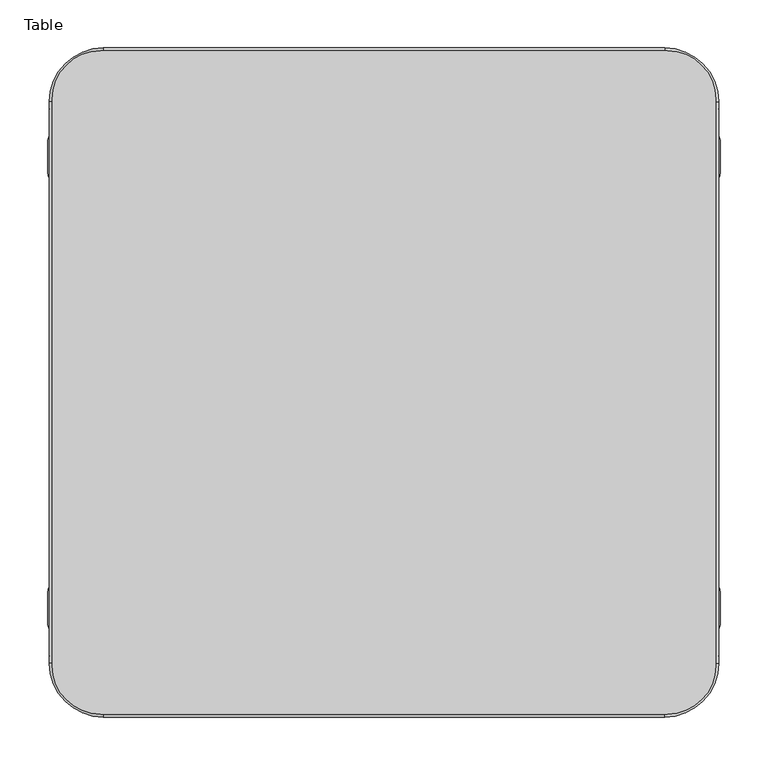
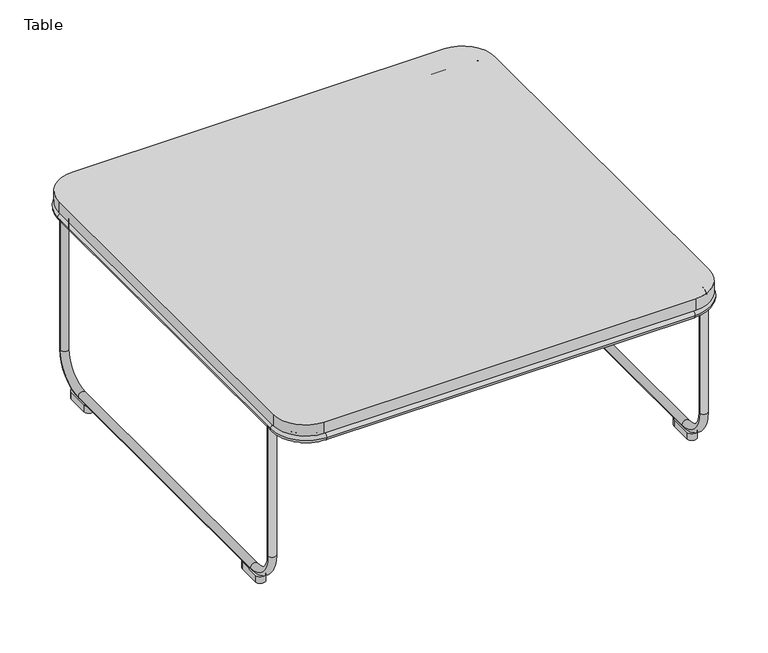
"""IFC4 building model written with IfcOpenShell, lengths in millimetres: furniture geometry, Table."""

from ifc_helpers import new_model, si_unit, point, frame, frame_2d, origin, origin_with_axes, place, context, project, spatial, polyline, circle_curve, ellipse_curve, trimmed, segment, composite_curve, outline, extrude, source, transform, mapped, element, save
from ifc_brep_helpers import plane_surface, cylinder_surface, revolved_surface, advanced_brep


def table_859b9121(model_context):
    return source(origin(), model_context, "Body", "SolidModel", [
        extrude(outline(polyline([(-2480.2991437, 2576.6010736), (-2480.2991437, 2614.6795997), (-1796.3340738, 2614.6795997), (-1796.3340738, 2576.6010736), (-2480.2991437, 2576.6010736)])), frame((0.0, 0.0, 283.1300109), z_axis=(0.0, 0.0, 1.0), x_axis=(1.0, 0.0, 0.0)), (0.0, 0.0, 1.0), 3.3459985),
        extrude(outline(polyline([(-2480.2991437, 3097.0802689), (-2480.2991437, 3135.1587949), (-1796.3340738, 3135.1587949), (-1796.3340738, 3097.0802689), (-2480.2991437, 3097.0802689)])), frame((0.0, 0.0, 283.1300109), z_axis=(0.0, 0.0, 1.0), x_axis=(1.0, 0.0, 0.0)), (0.0, 0.0, 1.0), 3.3459985),
        extrude(outline(composite_curve([segment(trimmed(circle_curve(frame_2d((-2481.2756523, 3108.8431167)), 7.8798642), [point((-2489.1555163, 3108.8448648))], [point((-2473.3957883, 3108.8448442))], False, "CARTESIAN"), True, "CONTINUOUS"), segment(polyline([(-2473.3957883, 3108.8448442), (-2473.3881823, 3074.1515307)]), True, "CONTINUOUS"), segment(trimmed(circle_curve(frame_2d((-2481.2756976, 3074.1498015)), 7.8875154), [point((-2473.3881823, 3074.1515307))], [point((-2489.1632128, 3074.1515513))], False, "CARTESIAN"), True, "CONTINUOUS"), segment(polyline([(-2489.1632128, 3074.1515513), (-2489.1555163, 3108.8448648)]), True, "CONTINUOUS")], self_intersect=False)), origin_with_axes(), (0.0, 0.0, 1.0), 11.1144914),
        extrude(outline(composite_curve([segment(trimmed(circle_curve(frame_2d((-2481.275989, 2637.673918)), 7.8875176), [point((-2489.1635064, 2637.6721682))], [point((-2473.3884715, 2637.6721682))], False, "CARTESIAN"), True, "CONTINUOUS"), segment(polyline([(-2473.3884715, 2637.6721682), (-2473.3961835, 2602.9090373)]), True, "CONTINUOUS"), segment(trimmed(circle_curve(frame_2d((-2481.275989, 2602.9107854)), 7.8798056), [point((-2473.3961835, 2602.9090373))], [point((-2489.1557944, 2602.9090373))], False, "CARTESIAN"), True, "CONTINUOUS"), segment(polyline([(-2489.1557944, 2602.9090373), (-2489.1635064, 2637.6721682)]), True, "CONTINUOUS")], self_intersect=False)), origin_with_axes(), (0.0, 0.0, 1.0), 11.1144914),
        extrude(outline(composite_curve([segment(polyline([(-1792.044095, 3151.34129), (-1792.044095, 2560.4393906)]), True, "CONTINUOUS"), segment(trimmed(circle_curve(frame_2d((-1842.844095, 2560.4393906)), 50.8), [point((-1792.044095, 2560.4393906))], [point((-1842.844095, 2509.6393906))], False, "CARTESIAN"), True, "CONTINUOUS"), segment(polyline([(-1842.844095, 2509.6393906), (-2433.7891225, 2509.6393906)]), True, "CONTINUOUS"), segment(trimmed(circle_curve(frame_2d((-2433.7891225, 2560.4393906)), 50.8), [point((-2433.7891225, 2509.6393906))], [point((-2484.5891225, 2560.4393906))], False, "CARTESIAN"), True, "CONTINUOUS"), segment(polyline([(-2484.5891225, 2560.4393906), (-2484.5891225, 3151.34129)]), True, "CONTINUOUS"), segment(trimmed(circle_curve(frame_2d((-2433.7891225, 3151.34129)), 50.8), [point((-2484.5891225, 3151.34129))], [point((-2433.7891225, 3202.14129))], False, "CARTESIAN"), True, "CONTINUOUS"), segment(polyline([(-2433.7891225, 3202.14129), (-1842.844095, 3202.14129)]), True, "CONTINUOUS"), segment(trimmed(circle_curve(frame_2d((-1842.844095, 3151.34129)), 50.8), [point((-1842.844095, 3202.14129))], [point((-1792.044095, 3151.34129))], False, "CARTESIAN"), True, "CONTINUOUS")], self_intersect=False)), frame((0.0, 0.0, 286.4380212), z_axis=(0.0, 0.0, 1.0), x_axis=(1.0, 0.0, 0.0)), (0.0, 0.0, 1.0), 18.8849846),
        advanced_brep(
        [(-2474.9420369, 3141.5898732, 280.1080775), (-2487.6097957, 3141.5898732, 280.1080775), (-2487.6097957, 3141.5463851, 61.8491387), (-2474.9420369, 3141.5463851, 61.8491387), (-2474.9420369, 3093.0162586, 13.3286809), (-2487.6097957, 3093.0162586, 13.3286809), (-2487.6097957, 2618.7355111, 13.3286809), (-2474.9420369, 2618.7355111, 13.3286809), (-2474.9420369, 2570.234922, 61.82927), (-2487.6097957, 2570.234922, 61.82927), (-2474.9420369, 2570.234922, 280.1068155), (-2487.6097957, 2570.234922, 280.1068155)],
        [
            (0, 1, circle_curve(frame((-2481.2759163, 3141.5898732, 280.1080775), z_axis=(0.0, 0.00019924995065655156, 0.9999999801497284), x_axis=(-1.0, 0.0, 0.0)), 6.3338794)),
            (1, 0, circle_curve(frame((-2481.2759163, 3141.5898732, 280.1080775), z_axis=(0.0, 0.00019924995065655156, 0.9999999801497284), x_axis=(-1.0, 0.0, 0.0)), 6.3338794)),
            (1, 2),
            (2, 3, circle_curve(frame((-2481.2759163, 3141.5463851, 61.8491387), z_axis=(0.0, 0.00019924995065655156, 0.9999999801497284), x_axis=(-1.0, 0.0, 0.0)), 6.3338794)),
            (3, 0),
            (3, 2, circle_curve(frame((-2481.2759163, 3141.5463851, 61.8491387), z_axis=(0.0, 0.00019924995065655156, 0.9999999801497284), x_axis=(-1.0, 0.0, 0.0)), 6.3338794)),
            (4, 3, circle_curve(frame((-2474.9420369, 3093.0162586, 61.8588083), z_axis=(1.0, 0.0, 0.0), x_axis=(0.0, 0.9999999801497284, -0.00019924995065750433)), 48.5301274)),
            (2, 5, circle_curve(frame((-2487.6097957, 3093.0162586, 61.8588083), z_axis=(-1.0, 0.0, 0.0), x_axis=(0.0, 0.9999999801497284, -0.00019924995065750433)), 48.5301274)),
            (5, 4, circle_curve(frame((-2481.2759163, 3093.0162586, 13.3286809), z_axis=(0.0, 1.0, 0.0), x_axis=(-1.0, 0.0, 0.0)), 6.3338794)),
            (4, 5, circle_curve(frame((-2481.2759163, 3093.0162586, 13.3286809), z_axis=(0.0, 1.0, 0.0), x_axis=(-1.0, 0.0, 0.0)), 6.3338794)),
            (5, 6),
            (6, 7, circle_curve(frame((-2481.2759163, 2618.7355111, 13.3286809), z_axis=(0.0, 1.0, 0.0), x_axis=(-1.0, 0.0, 0.0)), 6.3338794)),
            (7, 4),
            (7, 6, circle_curve(frame((-2481.2759163, 2618.7355111, 13.3286809), z_axis=(0.0, 1.0, 0.0), x_axis=(-1.0, 0.0, 0.0)), 6.3338794)),
            (8, 7, circle_curve(frame((-2474.9420369, 2618.7355111, 61.82927), z_axis=(1.0, 0.0, 0.0), x_axis=(0.0, 0.0, -1.0)), 48.5005892)),
            (6, 9, circle_curve(frame((-2487.6097957, 2618.7355111, 61.82927), z_axis=(-1.0, 0.0, 0.0), x_axis=(0.0, 0.0, -1.0)), 48.5005892)),
            (9, 8, circle_curve(frame((-2481.2759163, 2570.234922, 61.82927), z_axis=(0.0, 0.0, -1.0), x_axis=(-1.0, 0.0, 0.0)), 6.3338794)),
            (8, 9, circle_curve(frame((-2481.2759163, 2570.234922, 61.82927), z_axis=(0.0, 0.0, -1.0), x_axis=(-1.0, 0.0, 0.0)), 6.3338794)),
            (10, 11, circle_curve(frame((-2481.2759163, 2570.234922, 280.1068155), z_axis=(0.0, 0.0, 1.0), x_axis=(-1.0, 0.0, 0.0)), 6.3338794)),
            (11, 10, circle_curve(frame((-2481.2759163, 2570.234922, 280.1068155), z_axis=(0.0, 0.0, 1.0), x_axis=(-1.0, 0.0, 0.0)), 6.3338794)),
            (9, 11),
            (10, 8),
        ],
        [
            plane_surface(frame((-2487.5666087, 3147.9237456, 280.1068155), z_axis=(0.0, 0.00019924995065655156, 0.9999999801497284), x_axis=(-1.0, 0.0, 0.0))),
            cylinder_surface(frame((-2481.2759163, 3141.5898732, 280.1080775), z_axis=(0.0, 0.00019924995065655156, 0.9999999801497284), x_axis=(-1.0, 0.0, 0.0)), 6.3338794),
            revolved_surface(trimmed(ellipse_curve(frame((-2481.2759163, 3141.5463851, 61.8491387), z_axis=(0.0, 0.00019924995065750427, 0.9999999801497284), x_axis=(-1.0, 0.0, 0.0)), 6.3338794, 6.3338794), [point((-2487.6097957, 3141.5463851, 61.8491387))], [point((-2474.9420369, 3141.5463851, 61.8491387))], True, "CARTESIAN"), (-2487.5666087, 3093.0162586, 61.8588083), (-1.0, 0.0, 0.0)),
            revolved_surface(trimmed(ellipse_curve(frame((-2481.2759163, 3141.5463851, 61.8491387), z_axis=(0.0, 0.00019924995065750427, 0.9999999801497284), x_axis=(-1.0, 0.0, 0.0)), 6.3338794, 6.3338794), [point((-2474.9420369, 3141.5463851, 61.8491387))], [point((-2487.6097957, 3141.5463851, 61.8491387))], True, "CARTESIAN"), (-2487.5666087, 3093.0162586, 61.8588083), (-1.0, 0.0, 0.0)),
            cylinder_surface(frame((-2481.2759163, 3093.0162586, 13.3286809), z_axis=(0.0, 1.0, 0.0), x_axis=(-1.0, 0.0, 0.0)), 6.3338794),
            revolved_surface(trimmed(ellipse_curve(frame((-2481.2759163, 2618.7355111, 13.3286809), z_axis=(0.0, 1.0, 0.0), x_axis=(-1.0, 0.0, 0.0)), 6.3338794, 6.3338794), [point((-2487.6097957, 2618.7355111, 13.3286809))], [point((-2474.9420369, 2618.7355111, 13.3286809))], True, "CARTESIAN"), (-2487.5666087, 2618.7355111, 61.82927), (-1.0, 0.0, 0.0)),
            revolved_surface(trimmed(ellipse_curve(frame((-2481.2759163, 2618.7355111, 13.3286809), z_axis=(0.0, 1.0, 0.0), x_axis=(-1.0, 0.0, 0.0)), 6.3338794, 6.3338794), [point((-2474.9420369, 2618.7355111, 13.3286809))], [point((-2487.6097957, 2618.7355111, 13.3286809))], True, "CARTESIAN"), (-2487.5666087, 2618.7355111, 61.82927), (-1.0, 0.0, 0.0)),
            plane_surface(frame((-2487.5666087, 2563.9010494, 280.1068155), z_axis=(0.0, 0.0, 1.0), x_axis=(-1.0, 0.0, 0.0))),
            cylinder_surface(frame((-2481.2759163, 2570.234922, 61.82927), z_axis=(0.0, 0.0, -1.0), x_axis=(-1.0, 0.0, 0.0)), 6.3338794),
        ],
        [
            (0, [[1, 2]]),
            (1, [[-2, 3, 4, 5]]),
            (1, [[-1, -5, 6, -3]]),
            (2, [[7, -4, 8, 9]]),
            (3, [[-8, -6, -7, 10]]),
            (4, [[-9, 11, 12, 13]]),
            (4, [[-10, -13, 14, -11]]),
            (5, [[15, -12, 16, 17]]),
            (6, [[-16, -14, -15, 18]]),
            (7, [[19, 20]]),
            (8, [[-17, 21, -19, 22]]),
            (8, [[-18, -22, -20, -21]]),
        ],
    ),
        advanced_brep(
        [(-1801.6911806, 3141.5898732, 280.1080775), (-1789.0234218, 3141.5898732, 280.1080775), (-1801.6911806, 3141.5463851, 61.8491387), (-1789.0234218, 3141.5463851, 61.8491387), (-1789.0234218, 3093.0162586, 13.3286809), (-1801.6911806, 3093.0162586, 13.3286809), (-1801.6911806, 2618.7355111, 13.3286809), (-1789.0234218, 2618.7355111, 13.3286809), (-1789.0234218, 2570.234922, 61.82927), (-1801.6911806, 2570.234922, 61.82927), (-1801.6911806, 2570.234922, 280.1068155), (-1789.0234218, 2570.234922, 280.1068155)],
        [
            (0, 1, circle_curve(frame((-1795.3573012, 3141.5898732, 280.1080775), z_axis=(0.0, 0.00019924995065655156, 0.9999999801497284), x_axis=(1.0, 0.0, 0.0)), 6.3338794)),
            (1, 0, circle_curve(frame((-1795.3573012, 3141.5898732, 280.1080775), z_axis=(0.0, 0.00019924995065655156, 0.9999999801497284), x_axis=(1.0, 0.0, 0.0)), 6.3338794)),
            (0, 2),
            (2, 3, circle_curve(frame((-1795.3573012, 3141.5463851, 61.8491387), z_axis=(0.0, 0.00019924995065655156, 0.9999999801497284), x_axis=(1.0, 0.0, 0.0)), 6.3338794)),
            (3, 1),
            (3, 2, circle_curve(frame((-1795.3573012, 3141.5463851, 61.8491387), z_axis=(0.0, 0.00019924995065655156, 0.9999999801497284), x_axis=(1.0, 0.0, 0.0)), 6.3338794)),
            (4, 3, circle_curve(frame((-1789.0234218, 3093.0162586, 61.8588083), z_axis=(1.0, 0.0, 0.0), x_axis=(0.0, 0.9999999801497284, -0.00019924995065750433)), 48.5301274)),
            (2, 5, circle_curve(frame((-1801.6911806, 3093.0162586, 61.8588083), z_axis=(-1.0, 0.0, 0.0), x_axis=(0.0, 0.9999999801497284, -0.00019924995065750433)), 48.5301274)),
            (5, 4, circle_curve(frame((-1795.3573012, 3093.0162586, 13.3286809), z_axis=(0.0, 1.0, 0.0), x_axis=(1.0, 0.0, 0.0)), 6.3338794)),
            (4, 5, circle_curve(frame((-1795.3573012, 3093.0162586, 13.3286809), z_axis=(0.0, 1.0, 0.0), x_axis=(1.0, 0.0, 0.0)), 6.3338794)),
            (5, 6),
            (6, 7, circle_curve(frame((-1795.3573012, 2618.7355111, 13.3286809), z_axis=(0.0, 1.0, 0.0), x_axis=(1.0, 0.0, 0.0)), 6.3338794)),
            (7, 4),
            (7, 6, circle_curve(frame((-1795.3573012, 2618.7355111, 13.3286809), z_axis=(0.0, 1.0, 0.0), x_axis=(1.0, 0.0, 0.0)), 6.3338794)),
            (8, 7, circle_curve(frame((-1789.0234218, 2618.7355111, 61.82927), z_axis=(1.0, 0.0, 0.0), x_axis=(0.0, 0.0, -1.0)), 48.5005892)),
            (6, 9, circle_curve(frame((-1801.6911806, 2618.7355111, 61.82927), z_axis=(-1.0, 0.0, 0.0), x_axis=(0.0, 0.0, -1.0)), 48.5005892)),
            (9, 8, circle_curve(frame((-1795.3573012, 2570.234922, 61.82927), z_axis=(0.0, 0.0, -1.0), x_axis=(1.0, 0.0, 0.0)), 6.3338794)),
            (8, 9, circle_curve(frame((-1795.3573012, 2570.234922, 61.82927), z_axis=(0.0, 0.0, -1.0), x_axis=(1.0, 0.0, 0.0)), 6.3338794)),
            (10, 11, circle_curve(frame((-1795.3573012, 2570.234922, 280.1068155), z_axis=(0.0, 0.0, 1.0), x_axis=(1.0, 0.0, 0.0)), 6.3338794)),
            (11, 10, circle_curve(frame((-1795.3573012, 2570.234922, 280.1068155), z_axis=(0.0, 0.0, 1.0), x_axis=(1.0, 0.0, 0.0)), 6.3338794)),
            (9, 10),
            (11, 8),
        ],
        [
            plane_surface(frame((-1789.0666087, 3147.9237456, 280.1068155), z_axis=(0.0, 0.00019924995065655156, 0.9999999801497284), x_axis=(1.0, 0.0, 0.0))),
            cylinder_surface(frame((-1795.3573012, 3141.5898732, 280.1080775), z_axis=(0.0, 0.00019924995065655156, 0.9999999801497284), x_axis=(1.0, 0.0, 0.0)), 6.3338794),
            revolved_surface(trimmed(ellipse_curve(frame((-1795.3573012, 3141.5463851, 61.8491387), z_axis=(0.0, 0.00019924995065750427, 0.9999999801497284), x_axis=(1.0, 0.0, 0.0)), 6.3338794, 6.3338794), [point((-1801.6911806, 3141.5463851, 61.8491387))], [point((-1789.0234218, 3141.5463851, 61.8491387))], True, "CARTESIAN"), (-1789.0666087, 3093.0162586, 61.8588083), (-1.0, 0.0, 0.0)),
            revolved_surface(trimmed(ellipse_curve(frame((-1795.3573012, 3141.5463851, 61.8491387), z_axis=(0.0, 0.00019924995065750427, 0.9999999801497284), x_axis=(1.0, 0.0, 0.0)), 6.3338794, 6.3338794), [point((-1789.0234218, 3141.5463851, 61.8491387))], [point((-1801.6911806, 3141.5463851, 61.8491387))], True, "CARTESIAN"), (-1789.0666087, 3093.0162586, 61.8588083), (-1.0, 0.0, 0.0)),
            cylinder_surface(frame((-1795.3573012, 3093.0162586, 13.3286809), z_axis=(0.0, 1.0, 0.0), x_axis=(1.0, 0.0, 0.0)), 6.3338794),
            revolved_surface(trimmed(ellipse_curve(frame((-1795.3573012, 2618.7355111, 13.3286809), z_axis=(0.0, 1.0, 0.0), x_axis=(1.0, 0.0, 0.0)), 6.3338794, 6.3338794), [point((-1801.6911806, 2618.7355111, 13.3286809))], [point((-1789.0234218, 2618.7355111, 13.3286809))], True, "CARTESIAN"), (-1789.0666087, 2618.7355111, 61.82927), (-1.0, 0.0, 0.0)),
            revolved_surface(trimmed(ellipse_curve(frame((-1795.3573012, 2618.7355111, 13.3286809), z_axis=(0.0, 1.0, 0.0), x_axis=(1.0, 0.0, 0.0)), 6.3338794, 6.3338794), [point((-1789.0234218, 2618.7355111, 13.3286809))], [point((-1801.6911806, 2618.7355111, 13.3286809))], True, "CARTESIAN"), (-1789.0666087, 2618.7355111, 61.82927), (-1.0, 0.0, 0.0)),
            plane_surface(frame((-1789.0666087, 2563.9010494, 280.1068155), z_axis=(0.0, 0.0, 1.0), x_axis=(1.0, 0.0, 0.0))),
            cylinder_surface(frame((-1795.3573012, 2570.234922, 61.82927), z_axis=(0.0, 0.0, -1.0), x_axis=(1.0, 0.0, 0.0)), 6.3338794),
        ],
        [
            (0, [[1, 2]]),
            (1, [[-1, 3, 4, 5]]),
            (1, [[-2, -5, 6, -3]]),
            (2, [[7, -4, 8, 9]]),
            (3, [[-8, -6, -7, 10]]),
            (4, [[-9, 11, 12, 13]]),
            (4, [[-10, -13, 14, -11]]),
            (5, [[15, -12, 16, 17]]),
            (6, [[-16, -14, -15, 18]]),
            (7, [[19, 20]]),
            (8, [[-17, 21, -20, 22]]),
            (8, [[-18, -22, -19, -21]]),
        ],
    ),
        advanced_brep(
        [(-2474.9094943, 2563.0247395, 280.1257248), (-2431.2218173, 2519.3370409, 280.1257248), (-2431.2218236, 2506.6370409, 280.1257248), (-2487.6094943, 2563.0247395, 280.1257248), (-2487.6094943, 3148.7559467, 280.1257248), (-2474.9094943, 3148.7559467, 280.1257248), (-2431.2217715, 3192.4436453, 280.1257248), (-2431.2217644, 3205.1436453, 280.1257248), (-1845.4113906, 3205.1433206, 280.1257248), (-1845.4113976, 3192.4433206, 280.1257248), (-1801.7237232, 3148.755622, 280.1257248), (-1789.0237232, 3148.755622, 280.1257248), (-1789.0237232, 2563.0057331, 280.1257248), (-1801.7237232, 2563.0057331, 280.1257248), (-1845.3927277, 2519.3367502, 280.1257248), (-1845.392734, 2506.6367502, 280.1257248)],
        [
            (0, 1, circle_curve(frame((-2431.2217957, 2563.0247395, 280.1257248), z_axis=(0.0, 0.0, 1.0), x_axis=(-4.9615195323852e-07, -0.9999999999998769, 0.0)), 43.6876986)),
            (1, 2, circle_curve(frame((-2431.2218205, 2512.9870409, 280.1257248), z_axis=(-0.9999999999998769, 4.961519532385202e-07, 0.0), x_axis=(4.961519532385202e-07, 0.9999999999998769, 0.0)), 6.35)),
            (2, 3, circle_curve(frame((-2431.2217957, 2563.0247395, 280.1257248), z_axis=(0.0, 0.0, -1.0), x_axis=(-4.9615195323852e-07, -0.9999999999998769, 0.0)), 56.3876986)),
            (3, 0, circle_curve(frame((-2481.2594943, 2563.0247395, 280.1257248), z_axis=(0.0, -0.9999999999999999, 0.0), x_axis=(0.9999999999999999, 0.0, 0.0)), 6.35)),
            (2, 1, circle_curve(frame((-2431.2218205, 2512.9870409, 280.1257248), z_axis=(-0.9999999999998769, 4.961519532385202e-07, 0.0), x_axis=(4.961519532385202e-07, 0.9999999999998769, 0.0)), 6.35)),
            (0, 3, circle_curve(frame((-2481.2594943, 2563.0247395, 280.1257248), z_axis=(0.0, -0.9999999999999999, 0.0), x_axis=(0.9999999999999999, 0.0, 0.0)), 6.35)),
            (3, 4),
            (4, 5, circle_curve(frame((-2481.2594943, 3148.7559467, 280.1257248), z_axis=(0.0, -1.0, 0.0), x_axis=(1.0, 0.0, 0.0)), 6.35)),
            (5, 0),
            (5, 4, circle_curve(frame((-2481.2594943, 3148.7559467, 280.1257248), z_axis=(0.0, -1.0, 0.0), x_axis=(1.0, 0.0, 0.0)), 6.35)),
            (6, 5, circle_curve(frame((-2431.2217957, 3148.7559467, 280.1257248), z_axis=(0.0, 0.0, 1.0), x_axis=(-1.0, 0.0, 0.0)), 43.6876986)),
            (4, 7, circle_curve(frame((-2431.2217957, 3148.7559467, 280.1257248), z_axis=(0.0, 0.0, -1.0), x_axis=(-1.0, 0.0, 0.0)), 56.3876986)),
            (7, 6, circle_curve(frame((-2431.2217679, 3198.7936453, 280.1257248), z_axis=(-0.9999999999998463, 5.542947456965875e-07, 0.0), x_axis=(-5.542947456965875e-07, -0.9999999999998463, 0.0)), 6.35)),
            (6, 7, circle_curve(frame((-2431.2217679, 3198.7936453, 280.1257248), z_axis=(-0.9999999999998463, 5.542947525799703e-07, 0.0), x_axis=(-5.542947525799703e-07, -0.9999999999998463, 0.0)), 6.35)),
            (7, 8),
            (8, 9, circle_curve(frame((-1845.4113941, 3198.7933206, 280.1257248), z_axis=(-0.9999999999998466, 5.542947481936179e-07, 0.0), x_axis=(-5.542947481936178e-07, -0.9999999999998463, 0.0)), 6.35)),
            (9, 6),
            (9, 8, circle_curve(frame((-1845.4113941, 3198.7933206, 280.1257248), z_axis=(-0.9999999999998466, 5.542947481936179e-07, 0.0), x_axis=(-5.542947481936178e-07, -0.9999999999998463, 0.0)), 6.35)),
            (10, 9, circle_curve(frame((-1845.4114218, 3148.755622, 280.1257248), z_axis=(0.0, 0.0, 1.0), x_axis=(5.542947414777398e-07, 0.9999999999998463, 0.0)), 43.6876986)),
            (8, 11, circle_curve(frame((-1845.4114218, 3148.755622, 280.1257248), z_axis=(0.0, 0.0, -1.0), x_axis=(5.542947414777398e-07, 0.9999999999998463, 0.0)), 56.3876986)),
            (11, 10, circle_curve(frame((-1795.3737232, 3148.755622, 280.1257248), z_axis=(0.0, 0.9999999999999999, 0.0), x_axis=(-0.9999999999999999, 0.0, 0.0)), 6.35)),
            (10, 11, circle_curve(frame((-1795.3737232, 3148.755622, 280.1257248), z_axis=(0.0, 0.9999999999999999, 0.0), x_axis=(-0.9999999999999999, 0.0, 0.0)), 6.35)),
            (11, 12),
            (12, 13, circle_curve(frame((-1795.3737232, 2563.0057331, 280.1257248), z_axis=(0.0, 1.0, 0.0), x_axis=(-1.0, 0.0, 0.0)), 6.35)),
            (13, 10),
            (13, 12, circle_curve(frame((-1795.3737232, 2563.0057331, 280.1257248), z_axis=(0.0, 1.0, 0.0), x_axis=(-1.0, 0.0, 0.0)), 6.35)),
            (14, 13, circle_curve(frame((-1845.3927061, 2563.0057331, 280.1257248), z_axis=(0.0, 0.0, 1.0), x_axis=(1.0, 0.0, 0.0)), 43.6689829)),
            (12, 15, circle_curve(frame((-1845.3927061, 2563.0057331, 280.1257248), z_axis=(0.0, 0.0, -1.0), x_axis=(1.0, 0.0, 0.0)), 56.3689829)),
            (15, 14, circle_curve(frame((-1845.3927309, 2512.9867502, 280.1257248), z_axis=(0.9999999999998769, -4.961519516842082e-07, 0.0), x_axis=(4.961519516842082e-07, 0.9999999999998769, 0.0)), 6.35)),
            (14, 15, circle_curve(frame((-1845.3927309, 2512.9867502, 280.1257248), z_axis=(0.9999999999998769, -4.961519487976284e-07, 0.0), x_axis=(4.961519487976284e-07, 0.9999999999998769, 0.0)), 6.35)),
            (15, 2),
            (1, 14),
        ],
        [
            revolved_surface(trimmed(ellipse_curve(frame((-2431.2218205, 2512.9870409, 280.1257248), z_axis=(0.9999999999998769, -4.961519532385202e-07, 0.0), x_axis=(4.961519532385202e-07, 0.9999999999998769, 0.0)), 6.35, 6.35), [point((-2431.2218236, 2506.6370409, 280.1257248))], [point((-2431.2218173, 2519.3370409, 280.1257248))], True, "CARTESIAN"), (-2431.2217957, 2563.0247395, 286.4380212), (0.0, 0.0, -1.0)),
            revolved_surface(trimmed(ellipse_curve(frame((-2431.2218205, 2512.9870409, 280.1257248), z_axis=(0.9999999999998769, -4.961519532385202e-07, 0.0), x_axis=(4.961519532385202e-07, 0.9999999999998769, 0.0)), 6.35, 6.35), [point((-2431.2218173, 2519.3370409, 280.1257248))], [point((-2431.2218236, 2506.6370409, 280.1257248))], True, "CARTESIAN"), (-2431.2217957, 2563.0247395, 286.4380212), (0.0, 0.0, -1.0)),
            cylinder_surface(frame((-2481.2594943, 2563.0247395, 280.1257248), z_axis=(0.0, -1.0, 0.0), x_axis=(1.0, 0.0, 0.0)), 6.35),
            revolved_surface(trimmed(ellipse_curve(frame((-2481.2594943, 3148.7559467, 280.1257248), z_axis=(0.0, -1.0, 0.0), x_axis=(1.0, 0.0, 0.0)), 6.35, 6.35), [point((-2487.6094943, 3148.7559467, 280.1257248))], [point((-2474.9094943, 3148.7559467, 280.1257248))], True, "CARTESIAN"), (-2431.2217957, 3148.7559467, 286.4380212), (0.0, 0.0, -1.0)),
            revolved_surface(trimmed(ellipse_curve(frame((-2481.2594943, 3148.7559467, 280.1257248), z_axis=(0.0, -1.0, 0.0), x_axis=(1.0, 0.0, 0.0)), 6.35, 6.35), [point((-2474.9094943, 3148.7559467, 280.1257248))], [point((-2487.6094943, 3148.7559467, 280.1257248))], True, "CARTESIAN"), (-2431.2217957, 3148.7559467, 286.4380212), (0.0, 0.0, -1.0)),
            cylinder_surface(frame((-2431.2217679, 3198.7936453, 280.1257248), z_axis=(-0.9999999999998463, 5.542947481936178e-07, 0.0), x_axis=(-5.542947481936178e-07, -0.9999999999998463, 0.0)), 6.35),
            revolved_surface(trimmed(ellipse_curve(frame((-1845.4113941, 3198.7933206, 280.1257248), z_axis=(-0.9999999999998463, 5.542947414777406e-07, 0.0), x_axis=(-5.542947414777406e-07, -0.9999999999998463, 0.0)), 6.35, 6.35), [point((-1845.4113906, 3205.1433206, 280.1257248))], [point((-1845.4113976, 3192.4433206, 280.1257248))], True, "CARTESIAN"), (-1845.4114218, 3148.755622, 286.4380212), (0.0, 0.0, -1.0)),
            revolved_surface(trimmed(ellipse_curve(frame((-1845.4113941, 3198.7933206, 280.1257248), z_axis=(-0.9999999999998463, 5.542947414777406e-07, 0.0), x_axis=(-5.542947414777406e-07, -0.9999999999998463, 0.0)), 6.35, 6.35), [point((-1845.4113976, 3192.4433206, 280.1257248))], [point((-1845.4113906, 3205.1433206, 280.1257248))], True, "CARTESIAN"), (-1845.4114218, 3148.755622, 286.4380212), (0.0, 0.0, -1.0)),
            cylinder_surface(frame((-1795.3737232, 3148.755622, 280.1257248), z_axis=(0.0, 1.0, 0.0), x_axis=(-1.0, 0.0, 0.0)), 6.35),
            revolved_surface(trimmed(ellipse_curve(frame((-1795.3737232, 2563.0057331, 280.1257248), z_axis=(0.0, 1.0, 0.0), x_axis=(-1.0, 0.0, 0.0)), 6.35, 6.35), [point((-1789.0237232, 2563.0057331, 280.1257248))], [point((-1801.7237232, 2563.0057331, 280.1257248))], True, "CARTESIAN"), (-1845.3927061, 2563.0057331, 286.4380212), (0.0, 0.0, -1.0)),
            revolved_surface(trimmed(ellipse_curve(frame((-1795.3737232, 2563.0057331, 280.1257248), z_axis=(0.0, 1.0, 0.0), x_axis=(-1.0, 0.0, 0.0)), 6.35, 6.35), [point((-1801.7237232, 2563.0057331, 280.1257248))], [point((-1789.0237232, 2563.0057331, 280.1257248))], True, "CARTESIAN"), (-1845.3927061, 2563.0057331, 286.4380212), (0.0, 0.0, -1.0)),
            cylinder_surface(frame((-1845.3927309, 2512.9867502, 280.1257248), z_axis=(0.9999999999998769, -4.961519501317688e-07, 0.0), x_axis=(4.961519501317688e-07, 0.9999999999998769, 0.0)), 6.35),
        ],
        [
            (0, [[1, 2, 3, 4]]),
            (1, [[-3, 5, -1, 6]]),
            (2, [[-4, 7, 8, 9]]),
            (2, [[-6, -9, 10, -7]]),
            (3, [[11, -8, 12, 13]]),
            (4, [[-12, -10, -11, 14]]),
            (5, [[-13, 15, 16, 17]]),
            (5, [[-14, -17, 18, -15]]),
            (6, [[19, -16, 20, 21]]),
            (7, [[-20, -18, -19, 22]]),
            (8, [[-21, 23, 24, 25]]),
            (8, [[-22, -25, 26, -23]]),
            (9, [[27, -24, 28, 29]]),
            (10, [[-28, -26, -27, 30]]),
            (11, [[-29, 31, -2, 32]]),
            (11, [[-30, -32, -5, -31]]),
        ],
    ),
        extrude(outline(composite_curve([segment(polyline([(-1787.4777012, 3108.8448648), (-1787.4700047, 3074.1515513)]), True, "CONTINUOUS"), segment(trimmed(circle_curve(frame_2d((-1795.3575199, 3074.1498015)), 7.8875154), [point((-1787.4700047, 3074.1515513))], [point((-1803.2450352, 3074.1515307))], False, "CARTESIAN"), True, "CONTINUOUS"), segment(polyline([(-1803.2450352, 3074.1515307), (-1803.2374292, 3108.8448442)]), True, "CONTINUOUS"), segment(trimmed(circle_curve(frame_2d((-1795.3575652, 3108.8431167)), 7.8798642), [point((-1803.2374292, 3108.8448442))], [point((-1787.4777012, 3108.8448648))], False, "CARTESIAN"), True, "CONTINUOUS")], self_intersect=False)), origin_with_axes(), (0.0, 0.0, 1.0), 11.1144914),
        extrude(outline(composite_curve([segment(polyline([(-1787.4697111, 2637.6721682), (-1787.4774231, 2602.9090373)]), True, "CONTINUOUS"), segment(trimmed(circle_curve(frame_2d((-1795.3572285, 2602.9107854)), 7.8798056), [point((-1787.4774231, 2602.9090373))], [point((-1803.237034, 2602.9090373))], False, "CARTESIAN"), True, "CONTINUOUS"), segment(polyline([(-1803.237034, 2602.9090373), (-1803.244746, 2637.6721682)]), True, "CONTINUOUS"), segment(trimmed(circle_curve(frame_2d((-1795.3572285, 2637.673918)), 7.8875176), [point((-1803.244746, 2637.6721682))], [point((-1787.4697111, 2637.6721682))], False, "CARTESIAN"), True, "CONTINUOUS")], self_intersect=False)), origin_with_axes(), (0.0, 0.0, 1.0), 11.1144914),
    ])


if __name__ == "__main__":
    model = new_model("IFC4")
    model_context = context("Model", 3, world=origin())
    ifc_project = project(units=[si_unit("LENGTHUNIT", "METRE", prefix="MILLI")], contexts=[model_context])
    site = spatial("IfcSite", under=ifc_project)
    building = spatial("IfcBuilding", under=site)
    placement = place(None, origin())
    table_shape = table_859b9121(model_context)
    element("IfcFurniture", 1, ObjectType="Table", at=placement, inside=building, context=model_context, shape_type="MappedRepresentation", body=[
        mapped(table_shape, transform((0.0, 0.0, 0.0), x_axis=(1.0, 0.0, 0.0), y_axis=(0.0, 1.0, 0.0), z_axis=(0.0, 0.0, 1.0))),
    ])
    save(model, "model.ifc")
